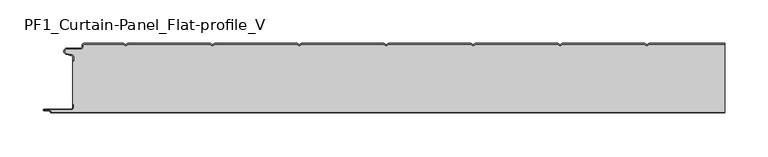
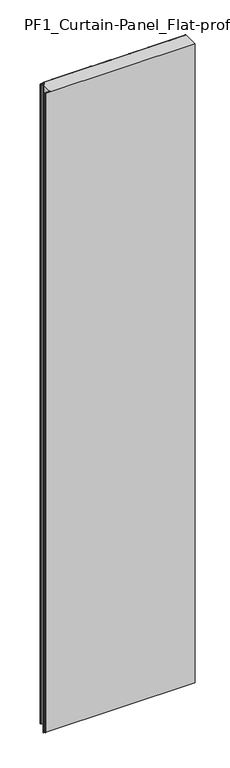
"""IFC4 building model written with IfcOpenShell, lengths in millimetres: plate geometry, PF1_Curtain-Panel_Flat-profile_V."""

from ifc_helpers import new_model, si_unit, point, frame_2d, origin, origin_with_axes, place, context, project, spatial, polyline, circle_curve, trimmed, segment, composite_curve, outline, extrude, source, transform, mapped, element, save


def pf1_curtain_panel_flat_profile_v_4f5c2b90(model_context):
    return source(origin(), model_context, "Body", "SweptSolid", [
        extrude(outline(composite_curve([segment(trimmed(circle_curve(frame_2d((-377.0, -15.878557)), 2.0), [point((-375.0, -15.878557))], [point((-376.5500978, -13.9298169))], True, "CARTESIAN"), True, "CONTINUOUS"), segment(polyline([(-376.5500978, -13.9298169), (-382.7098239, -12.507732)]), True, "CONTINUOUS"), segment(trimmed(circle_curve(frame_2d((-381.9, -9.0)), 3.6), [point((-382.7098239, -12.507732))], [point((-381.9, -5.4))], False, "CARTESIAN"), True, "CONTINUOUS"), segment(polyline([(-381.9, -5.4), (-366.4, -5.4)]), True, "CONTINUOUS"), segment(trimmed(circle_curve(frame_2d((-366.4, -3.4)), 2.0), [point((-366.4, -5.4))], [point((-364.4, -3.4))], True, "CARTESIAN"), True, "CONTINUOUS"), segment(polyline([(-364.4, -3.4), (-364.4, -2.0)]), True, "CONTINUOUS"), segment(trimmed(circle_curve(frame_2d((-362.4, -2.0)), 2.0), [point((-364.4, -2.0))], [point((-362.4, 0.0))], False, "CARTESIAN"), True, "CONTINUOUS"), segment(polyline([(-362.4, 0.0), (-317.0999995, 0.0), (-314.4, -1.5588455), (-311.7000005, 0.0), (-217.0999995, 0.0), (-214.4, -1.5588455), (-211.7000005, 0.0), (-117.0999995, 0.0), (-114.4, -1.5588455), (-111.7000005, 0.0), (-17.0999995, 0.0), (-14.4, -1.5588455), (-11.7000005, 0.0), (82.9000005, 0.0), (85.6, -1.5588455), (88.2999995, 0.0), (182.9000005, 0.0), (185.6, -1.5588455), (188.2999995, 0.0), (282.9000005, 0.0), (285.6, -1.5588455), (288.2999995, 0.0), (375.0, 0.0), (375.0, -0.8), (288.5143588, -0.8), (285.6, -2.482606), (282.6856412, -0.8), (188.5143588, -0.8), (185.6, -2.482606), (182.6856412, -0.8), (88.5143588, -0.8), (85.6, -2.482606), (82.6856412, -0.8), (-11.4856412, -0.8), (-14.4, -2.482606), (-17.3143588, -0.8), (-111.4856412, -0.8), (-114.4, -2.482606), (-117.3143588, -0.8), (-211.4856412, -0.8), (-214.4, -2.482606), (-217.3143588, -0.8), (-311.4856412, -0.8), (-314.4, -2.482606), (-317.3143588, -0.8), (-362.4, -0.8)]), True, "CONTINUOUS"), segment(trimmed(circle_curve(frame_2d((-362.4, -2.0)), 1.2), [point((-362.4, -0.8))], [point((-363.6, -2.0))], True, "CARTESIAN"), True, "CONTINUOUS"), segment(polyline([(-363.6, -2.0), (-363.6, -3.4)]), True, "CONTINUOUS"), segment(trimmed(circle_curve(frame_2d((-366.4, -3.4)), 2.8), [point((-363.6, -3.4))], [point((-366.4, -6.2))], False, "CARTESIAN"), True, "CONTINUOUS"), segment(polyline([(-366.4, -6.2), (-381.9, -6.2)]), True, "CONTINUOUS"), segment(trimmed(circle_curve(frame_2d((-381.9, -9.0)), 2.8), [point((-381.9, -6.2))], [point((-382.529863, -11.7282362))], True, "CARTESIAN"), True, "CONTINUOUS"), segment(polyline([(-382.529863, -11.7282362), (-376.370137, -13.150321)]), True, "CONTINUOUS"), segment(trimmed(circle_curve(frame_2d((-377.0, -15.878557)), 2.8), [point((-376.370137, -13.150321))], [point((-374.2, -15.878557))], False, "CARTESIAN"), True, "CONTINUOUS"), segment(polyline([(-374.2, -15.878557), (-374.2, -20.0), (-375.0, -20.0), (-375.0, -15.878557)]), True, "CONTINUOUS")], self_intersect=False)), origin_with_axes(), (0.0, 0.0, 1.0), 3500.0),
        extrude(outline(composite_curve([segment(polyline([(-374.2, -70.0), (-375.0, -70.0), (-375.0, -20.0), (-374.2, -20.0), (-374.2, -15.878557)]), True, "CONTINUOUS"), segment(trimmed(circle_curve(frame_2d((-377.0, -15.878557)), 2.8), [point((-374.2, -15.878557))], [point((-376.370137, -13.1503208))], True, "CARTESIAN"), True, "CONTINUOUS"), segment(polyline([(-376.370137, -13.1503208), (-382.529863, -11.7282362)]), True, "CONTINUOUS"), segment(trimmed(circle_curve(frame_2d((-381.9, -9.0)), 2.8), [point((-382.529863, -11.7282362))], [point((-381.9, -6.2))], False, "CARTESIAN"), True, "CONTINUOUS"), segment(polyline([(-381.9, -6.2), (-366.4, -6.2)]), True, "CONTINUOUS"), segment(trimmed(circle_curve(frame_2d((-366.4, -3.4)), 2.8), [point((-366.4, -6.2))], [point((-363.6, -3.4))], True, "CARTESIAN"), True, "CONTINUOUS"), segment(polyline([(-363.6, -3.4), (-363.6, -2.0)]), True, "CONTINUOUS"), segment(trimmed(circle_curve(frame_2d((-362.4, -2.0)), 1.2), [point((-363.6, -2.0))], [point((-362.4, -0.8))], False, "CARTESIAN"), True, "CONTINUOUS"), segment(polyline([(-362.4, -0.8), (-317.3143588, -0.8), (-314.4, -2.482606), (-311.4856412, -0.8), (-217.3143588, -0.8), (-214.4, -2.482606), (-211.4856412, -0.8), (-117.3143588, -0.8), (-114.4, -2.482606), (-111.4856412, -0.8), (-17.3143588, -0.8), (-14.4, -2.482606), (-11.4856412, -0.8), (82.6856412, -0.8), (85.6, -2.482606), (88.5143588, -0.8), (182.6856412, -0.8), (185.6, -2.482606), (188.5143588, -0.8), (282.6856412, -0.8), (285.6, -2.482606), (288.5143588, -0.8), (375.0, -0.8), (375.0, -79.2), (-399.4, -79.2)]), True, "CONTINUOUS"), segment(trimmed(circle_curve(frame_2d((-399.4, -78.4)), 0.8), [point((-399.4, -79.2))], [point((-400.2, -78.4))], False, "CARTESIAN"), True, "CONTINUOUS"), segment(trimmed(circle_curve(frame_2d((-401.9, -78.6133333)), 1.7133333), [point((-400.2, -78.4))], [point((-401.9, -76.9))], True, "CARTESIAN"), True, "CONTINUOUS"), segment(polyline([(-401.9, -76.9), (-407.8700312, -76.9)]), True, "CONTINUOUS"), segment(trimmed(circle_curve(frame_2d((-407.8700312, -76.6)), 0.3), [point((-407.8700312, -76.9))], [point((-407.8700312, -76.3))], False, "CARTESIAN"), True, "CONTINUOUS"), segment(polyline([(-407.8700312, -76.3), (-377.0, -76.3)]), True, "CONTINUOUS"), segment(trimmed(circle_curve(frame_2d((-377.0, -73.5)), 2.8), [point((-377.0, -76.3))], [point((-374.2, -73.5))], True, "CARTESIAN"), True, "CONTINUOUS"), segment(polyline([(-374.2, -73.5), (-374.2, -70.0)]), True, "CONTINUOUS")], self_intersect=False)), origin_with_axes(), (0.0, 0.0, 1.0), 3500.0),
        extrude(outline(composite_curve([segment(polyline([(-375.0, -70.0), (-374.2, -70.0), (-374.2, -73.5)]), True, "CONTINUOUS"), segment(trimmed(circle_curve(frame_2d((-377.0, -73.5)), 2.8), [point((-374.2, -73.5))], [point((-377.0, -76.3))], False, "CARTESIAN"), True, "CONTINUOUS"), segment(polyline([(-377.0, -76.3), (-407.8700312, -76.3)]), True, "CONTINUOUS"), segment(trimmed(circle_curve(frame_2d((-407.8700312, -76.6)), 0.3), [point((-407.8700312, -76.3))], [point((-407.8700312, -76.9))], True, "CARTESIAN"), True, "CONTINUOUS"), segment(polyline([(-407.8700312, -76.9), (-401.9, -76.9)]), True, "CONTINUOUS"), segment(trimmed(circle_curve(frame_2d((-401.9, -78.6133333)), 1.7133333), [point((-401.9, -76.9))], [point((-400.2, -78.4))], False, "CARTESIAN"), True, "CONTINUOUS"), segment(trimmed(circle_curve(frame_2d((-399.4, -78.4)), 0.8), [point((-400.2, -78.4))], [point((-399.4, -79.2))], True, "CARTESIAN"), True, "CONTINUOUS"), segment(polyline([(-399.4, -79.2), (375.0, -79.2), (375.0, -80.0), (-399.4, -80.0)]), True, "CONTINUOUS"), segment(trimmed(circle_curve(frame_2d((-399.4, -78.4)), 1.6), [point((-399.4, -80.0))], [point((-401.0, -78.4))], False, "CARTESIAN"), True, "CONTINUOUS"), segment(trimmed(circle_curve(frame_2d((-401.9, -78.4)), 0.9), [point((-401.0, -78.4))], [point((-401.9, -77.5))], True, "CARTESIAN"), True, "CONTINUOUS"), segment(polyline([(-401.9, -77.5), (-408.0, -77.5)]), True, "CONTINUOUS"), segment(trimmed(circle_curve(frame_2d((-408.0, -76.5)), 1.0), [point((-408.0, -77.5))], [point((-408.0, -75.5))], False, "CARTESIAN"), True, "CONTINUOUS"), segment(polyline([(-408.0, -75.5), (-377.0, -75.5)]), True, "CONTINUOUS"), segment(trimmed(circle_curve(frame_2d((-377.0, -73.5)), 2.0), [point((-377.0, -75.5))], [point((-375.0, -73.5))], True, "CARTESIAN"), True, "CONTINUOUS"), segment(polyline([(-375.0, -73.5), (-375.0, -70.0)]), True, "CONTINUOUS")], self_intersect=False)), origin_with_axes(), (0.0, 0.0, 1.0), 3500.0),
    ])


if __name__ == "__main__":
    model = new_model("IFC4")
    model_context = context("Model", 3, world=origin())
    ifc_project = project(units=[si_unit("LENGTHUNIT", "METRE", prefix="MILLI")], contexts=[model_context])
    site = spatial("IfcSite", under=ifc_project)
    building = spatial("IfcBuilding", under=site)
    placement = place(None, origin())
    pf1_curtain_panel_flat_profile_v_shape = pf1_curtain_panel_flat_profile_v_4f5c2b90(model_context)
    element("IfcPlate", 1, ObjectType="PF1_Curtain-Panel_Flat-profile_V", at=placement, inside=building, context=model_context, shape_type="MappedRepresentation", body=[
        mapped(pf1_curtain_panel_flat_profile_v_shape, transform((0.0, 0.0, 0.0), x_axis=(1.0, 0.0, 0.0), y_axis=(0.0, 1.0, 0.0), z_axis=(0.0, 0.0, 1.0))),
    ])
    save(model, "model.ifc")
